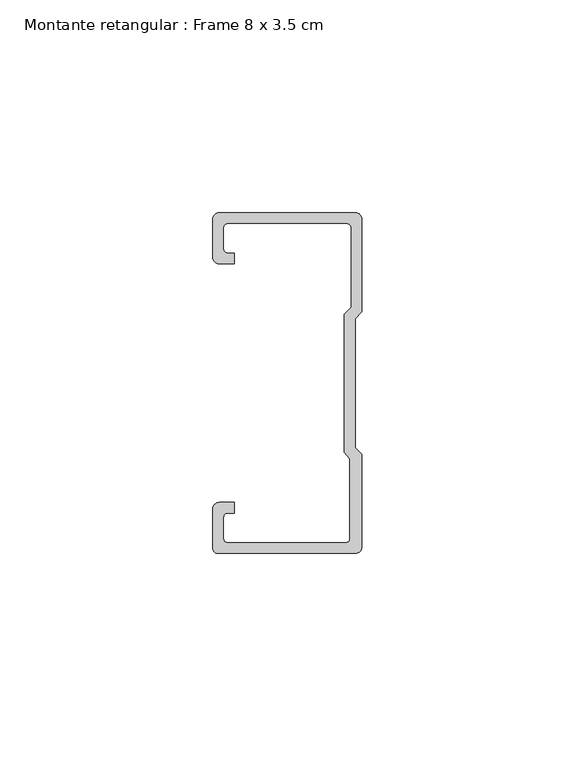
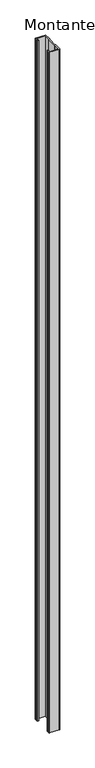
"""IFC4 building model written with IfcOpenShell, lengths in millimetres: member geometry, Montante retangular : Frame 8 x 3.5 cm."""

import ifcopenshell
import ifcopenshell.guid

model = None  # the IFC model being written
_history = None  # IfcOwnerHistory: only IFC2X3 demands one
_inside = {}  # id of a spatial element -> (the spatial element, [elements in it])
_under = {}  # id of a project, library or spatial element -> (it, [spatial elements below it])
_declared = {}  # id of a project -> (the project, [libraries it declares])
_typed = {}  # id of a type object -> (the type object, [elements of that type])
_made_of = {}  # id of a material, layer set ... -> (it, [elements and type objects made of it])


def new_model(schema):
    """Start an empty IFC model of exactly this schema.

    Asked for "IFC4X3", IfcOpenShell would pick the latest addendum, in which some entities
    have other attributes; the version numbers below select the first issue.
    IFC2X3 requires an IfcOwnerHistory on every rooted entity: one is made here for all.
    """
    global model, _history
    if schema == "IFC4X3":
        model = ifcopenshell.file(schema_version=(4, 3, 0, 0))
    else:
        model = ifcopenshell.file(schema=schema)
    _inside.clear()
    _under.clear()
    _declared.clear()
    _typed.clear()
    _made_of.clear()
    _history = None
    if model.schema == "IFC2X3":
        org = make("IfcOrganization", Name="unknown")
        user = make(
            "IfcPersonAndOrganization",
            ThePerson=make("IfcPerson", FamilyName="unknown"),
            TheOrganization=org,
        )
        app = make(
            "IfcApplication",
            ApplicationDeveloper=org,
            Version="unknown",
            ApplicationFullName="unknown",
            ApplicationIdentifier="unknown",
        )
        _history = make(
            "IfcOwnerHistory",
            OwningUser=user,
            OwningApplication=app,
            ChangeAction="ADDED",
            CreationDate=0,
        )
    return model


def make(cls, **values):
    """One entity of the class cls with the attributes given. An attribute that is None is left unset."""
    return model.create_entity(
        cls, **{name: value for name, value in values.items() if value is not None}
    )


def rooted(cls, **values):
    """An entity with a GlobalId (a new one), such as an element, a storey or a relation."""
    return make(cls, GlobalId=ifcopenshell.guid.new(), OwnerHistory=_history, **values)


def si_unit(unit_type, name, prefix=None):
    """IfcSIUnit, for example si_unit("LENGTHUNIT", "METRE", prefix="MILLI")."""
    return make("IfcSIUnit", UnitType=unit_type, Prefix=prefix, Name=name)


def assignment(units):
    """IfcUnitAssignment: the units of a project."""
    return None if units is None else make("IfcUnitAssignment", Units=units)


def point(xyz):
    """IfcCartesianPoint."""
    return None if xyz is None else make("IfcCartesianPoint", Coordinates=xyz)


def direction(xyz):
    """IfcDirection."""
    return None if xyz is None else make("IfcDirection", DirectionRatios=xyz)


def frame(location, z_axis=None, x_axis=None):
    """IfcAxis2Placement3D, a coordinate frame: its origin and axes. An axis left out is left unset."""
    return make(
        "IfcAxis2Placement3D",
        Location=point(location),
        Axis=direction(z_axis),
        RefDirection=direction(x_axis),
    )


def frame_2d(location, x_axis=None):
    """IfcAxis2Placement2D, a coordinate frame in the plane: its origin and x axis."""
    return make(
        "IfcAxis2Placement2D", Location=point(location), RefDirection=direction(x_axis)
    )


def origin():
    """The frame at (0, 0, 0) with its axes left unset."""
    return frame((0.0, 0.0, 0.0))


def place(relative_to, where):
    """IfcLocalPlacement: puts the frame where relative to a parent placement (None: the world)."""
    return make(
        "IfcLocalPlacement", PlacementRelTo=relative_to, RelativePlacement=where
    )


def context(
    kind, dimensions, precision=None, world=None, true_north=None, identifier=None
):
    """IfcGeometricRepresentationContext, for example the 3D "Model" context."""
    return make(
        "IfcGeometricRepresentationContext",
        ContextIdentifier=identifier,
        ContextType=kind,
        CoordinateSpaceDimension=dimensions,
        Precision=precision,
        WorldCoordinateSystem=world,
        TrueNorth=true_north,
    )


def project(units=None, contexts=None):
    """IfcProject with its units and contexts."""
    return rooted(
        "IfcProject",
        Name="project",
        RepresentationContexts=contexts,
        UnitsInContext=assignment(units),
    )


def spatial(cls, under=None, at=None, **own):
    """A site, building, storey or space (cls), placed at a placement, below another one or the project."""
    s = rooted(cls, ObjectPlacement=at, **own)
    if under is not None:
        _under.setdefault(under.id(), (under, []))[1].append(s)
    return s


def polyline(points):
    """IfcPolyline through the points."""
    return make("IfcPolyline", Points=[point(p) for p in points])


def circle_curve(where, radius):
    """IfcCircle in the frame where."""
    return make("IfcCircle", Position=where, Radius=radius)


def trimmed(basis, trim1, trim2, sense, master):
    """IfcTrimmedCurve: the piece of a basis curve between two trims."""
    return make(
        "IfcTrimmedCurve",
        BasisCurve=basis,
        Trim1=trim1,
        Trim2=trim2,
        SenseAgreement=sense,
        MasterRepresentation=master,
    )


def segment(curve, same_sense, transition):
    """IfcCompositeCurveSegment."""
    return make(
        "IfcCompositeCurveSegment",
        Transition=transition,
        SameSense=same_sense,
        ParentCurve=curve,
    )


def composite_curve(segments, self_intersect=None):
    """IfcCompositeCurve: segments joined end to end."""
    return make("IfcCompositeCurve", Segments=segments, SelfIntersect=self_intersect)


def outline(outer, holes=None, kind="AREA"):
    """IfcArbitraryClosedProfileDef: a profile drawn as a closed curve; with holes, ...WithVoids."""
    if holes is None:
        return make("IfcArbitraryClosedProfileDef", ProfileType=kind, OuterCurve=outer)
    return make(
        "IfcArbitraryProfileDefWithVoids",
        ProfileType=kind,
        OuterCurve=outer,
        InnerCurves=holes,
    )


def extrude(swept, where, along, depth):
    """IfcExtrudedAreaSolid: the profile swept, set in the frame where, extruded along a direction by depth."""
    return make(
        "IfcExtrudedAreaSolid",
        SweptArea=swept,
        Position=where,
        ExtrudedDirection=direction(along),
        Depth=depth,
    )


def shape(context_of_items, identifier, shape_type, items):
    """IfcShapeRepresentation: the items that make up one representation, for example the "Body"."""
    return make(
        "IfcShapeRepresentation",
        ContextOfItems=context_of_items,
        RepresentationIdentifier=identifier,
        RepresentationType=shape_type,
        Items=items,
    )


def source(mapping_origin, context_of_items, identifier, shape_type, items):
    """IfcRepresentationMap: a shape defined once, which mapped items show again and again."""
    return make(
        "IfcRepresentationMap",
        MappingOrigin=mapping_origin,
        MappedRepresentation=shape(context_of_items, identifier, shape_type, items),
    )


def transform(
    local_origin,
    x_axis=None,
    y_axis=None,
    z_axis=None,
    scale=None,
    scale2=None,
    scale3=None,
    uniform=True,
):
    """IfcCartesianTransformationOperator3D, or its non-uniform kind. x_axis, y_axis, z_axis: its Axis1, 2, 3."""
    if uniform:
        return make(
            "IfcCartesianTransformationOperator3D",
            Axis1=direction(x_axis),
            Axis2=direction(y_axis),
            LocalOrigin=point(local_origin),
            Scale=scale,
            Axis3=direction(z_axis),
        )
    return make(
        "IfcCartesianTransformationOperator3DnonUniform",
        Axis1=direction(x_axis),
        Axis2=direction(y_axis),
        LocalOrigin=point(local_origin),
        Scale=scale,
        Axis3=direction(z_axis),
        Scale2=scale2,
        Scale3=scale3,
    )


def mapped(mapping_source, mapping_target):
    """IfcMappedItem: shows the shape of a source again, moved by a transform."""
    return make(
        "IfcMappedItem", MappingSource=mapping_source, MappingTarget=mapping_target
    )


def made_of(thing, what):
    """Note that an element or type object is made of a material, layer set ...; save() writes the relation."""
    if what is not None:
        _made_of.setdefault(what.id(), (what, []))[1].append(thing)
    return thing


def element(
    cls,
    number,
    at=None,
    inside=None,
    cuts=None,
    type_object=None,
    material=None,
    context=None,
    identifier="Body",
    shape_type=None,
    held_by="IfcProductDefinitionShape",
    body=None,
    shapes=None,
    **own,
):
    """One element of the class cls, such as IfcWall. Its Tag is "e" and its number.

    at: its placement. inside: the storey or other place that contains it. cuts: it is an
    opening in that element (IfcRelVoidsElement). A single representation is given by context,
    identifier, shape_type and body (its items); several are given by shapes. held_by: the class
    of the entity that holds the representations. save() writes the other relations.
    """
    e = rooted(cls, Tag="e%d" % number, ObjectPlacement=at, **own)
    if body is not None:
        shapes = [shape(context, identifier, shape_type, body)]
    if shapes is not None:
        e.Representation = make(held_by, Representations=shapes)
    if inside is not None:
        _inside.setdefault(inside.id(), (inside, []))[1].append(e)
    if cuts is not None:
        rooted(
            "IfcRelVoidsElement", RelatingBuildingElement=cuts, RelatedOpeningElement=e
        )
    if type_object is not None:
        _typed.setdefault(type_object.id(), (type_object, []))[1].append(e)
    return made_of(e, material)


def aggregate(whole, parts):
    """IfcRelAggregates: a whole, such as a stair, and the parts it consists of."""
    return rooted("IfcRelAggregates", RelatingObject=whole, RelatedObjects=parts)


def save(model, path):
    """Write the relations noted so far, then the file.

    IfcRelAggregates (storeys below a building ...), IfcRelContainedInSpatialStructure (elements
    in a storey), IfcRelDefinesByType, IfcRelAssociatesMaterial and IfcRelDeclares: one each for
    every whole, place, type object, material and project.
    """
    for whole, parts in _under.values():
        aggregate(whole, parts)
    for where, things in _inside.values():
        rooted(
            "IfcRelContainedInSpatialStructure",
            RelatedElements=things,
            RelatingStructure=where,
        )
    for kind, things in _typed.values():
        rooted("IfcRelDefinesByType", RelatedObjects=things, RelatingType=kind)
    for what, things in _made_of.values():
        rooted("IfcRelAssociatesMaterial", RelatedObjects=things, RelatingMaterial=what)
    for by, libraries in _declared.values():
        rooted("IfcRelDeclares", RelatingContext=by, RelatedDefinitions=libraries)
    model.write(path)


def montante_retangular_frame_8_x_3_5_cm_cd121c68(model_context):
    return source(origin(), model_context, "Body", "SweptSolid", [
        extrude(outline(composite_curve([segment(polyline([(-17.5, 29.5276505), (-17.5, 38.5)]), True, "CONTINUOUS"), segment(trimmed(circle_curve(frame_2d((-16.0, 38.5)), 1.5), [point((-17.5, 38.5))], [point((-16.0, 40.0))], False, "CARTESIAN"), True, "CONTINUOUS"), segment(polyline([(-16.0, 40.0), (16.0, 40.0)]), True, "CONTINUOUS"), segment(trimmed(circle_curve(frame_2d((16.0, 38.5)), 1.5), [point((16.0, 40.0))], [point((17.5, 38.5))], False, "CARTESIAN"), True, "CONTINUOUS"), segment(polyline([(17.5, 38.5), (17.5, 16.7622662), (15.9122869, 15.174553), (15.9122869, -15.174553), (17.5, -16.7622662), (17.5, -38.5)]), True, "CONTINUOUS"), segment(trimmed(circle_curve(frame_2d((16.0, -38.5)), 1.5), [point((17.5, -38.5))], [point((16.0, -40.0))], False, "CARTESIAN"), True, "CONTINUOUS"), segment(polyline([(16.0, -40.0), (-16.3171833, -40.0)]), True, "CONTINUOUS"), segment(trimmed(circle_curve(frame_2d((-16.3171833, -38.8171833)), 1.1828167), [point((-16.3171833, -40.0))], [point((-17.5, -38.8171833))], False, "CARTESIAN"), True, "CONTINUOUS"), segment(polyline([(-17.5, -38.8171833), (-17.5, -29.5276505)]), True, "CONTINUOUS"), segment(trimmed(circle_curve(frame_2d((-16.0, -29.5276505)), 1.5), [point((-17.5, -29.5276505))], [point((-16.0, -28.0276505))], False, "CARTESIAN"), True, "CONTINUOUS"), segment(polyline([(-16.0, -28.0276505), (-12.5162256, -28.0276505), (-12.5162256, -30.5276505), (-14.0, -30.5276505)]), True, "CONTINUOUS"), segment(trimmed(circle_curve(frame_2d((-14.0, -31.5276505)), 1.0), [point((-14.0, -30.5276505))], [point((-15.0, -31.5276505))], True, "CARTESIAN"), True, "CONTINUOUS"), segment(polyline([(-15.0, -31.5276505), (-15.0, -36.5)]), True, "CONTINUOUS"), segment(trimmed(circle_curve(frame_2d((-14.0, -36.5)), 1.0), [point((-15.0, -36.5))], [point((-14.0, -37.5))], True, "CARTESIAN"), True, "CONTINUOUS"), segment(polyline([(-14.0, -37.5), (13.692786, -37.5)]), True, "CONTINUOUS"), segment(trimmed(circle_curve(frame_2d((13.692786, -36.5)), 1.0), [point((13.692786, -37.5))], [point((14.692786, -36.5))], True, "CARTESIAN"), True, "CONTINUOUS"), segment(polyline([(14.692786, -36.5), (14.692786, -17.7671948), (13.4122869, -16.1794816), (13.4122869, 16.2100869), (15.0, 17.7978001), (15.0, 36.5)]), True, "CONTINUOUS"), segment(trimmed(circle_curve(frame_2d((14.0, 36.5)), 1.0), [point((15.0, 36.5))], [point((14.0, 37.5))], True, "CARTESIAN"), True, "CONTINUOUS"), segment(polyline([(14.0, 37.5), (-14.0, 37.5)]), True, "CONTINUOUS"), segment(trimmed(circle_curve(frame_2d((-14.0, 36.5)), 1.0), [point((-14.0, 37.5))], [point((-15.0, 36.5))], True, "CARTESIAN"), True, "CONTINUOUS"), segment(polyline([(-15.0, 36.5), (-15.0, 31.5276505)]), True, "CONTINUOUS"), segment(trimmed(circle_curve(frame_2d((-14.0, 31.5276505)), 1.0), [point((-15.0, 31.5276505))], [point((-14.0, 30.5276505))], True, "CARTESIAN"), True, "CONTINUOUS"), segment(polyline([(-14.0, 30.5276505), (-12.5162256, 30.5276505), (-12.5162256, 28.0276505), (-16.0, 28.0276505)]), True, "CONTINUOUS"), segment(trimmed(circle_curve(frame_2d((-16.0, 29.5276505)), 1.5), [point((-16.0, 28.0276505))], [point((-17.5, 29.5276505))], False, "CARTESIAN"), True, "CONTINUOUS")], self_intersect=False)), frame((0.0, 0.0, -2347.5), z_axis=(0.0, 0.0, 1.0), x_axis=(1.0, 0.0, 0.0)), (0.0, 0.0, 1.0), 2347.5),
    ])


if __name__ == "__main__":
    model = new_model("IFC4")
    model_context = context("Model", 3, world=origin())
    ifc_project = project(units=[si_unit("LENGTHUNIT", "METRE", prefix="MILLI")], contexts=[model_context])
    site = spatial("IfcSite", under=ifc_project)
    building = spatial("IfcBuilding", under=site)
    placement = place(None, origin())
    montante_retangular_frame_8_x_3_5_cm_shape = montante_retangular_frame_8_x_3_5_cm_cd121c68(model_context)
    element("IfcMember", 1, ObjectType="Montante retangular : Frame 8 x 3.5 cm", at=placement, inside=building, context=model_context, shape_type="MappedRepresentation", body=[
        mapped(montante_retangular_frame_8_x_3_5_cm_shape, transform((0.0, 0.0, 0.0), x_axis=(1.0, 0.0, 0.0), y_axis=(0.0, 1.0, 0.0), z_axis=(0.0, 0.0, 1.0))),
    ])
    save(model, "model.ifc")
